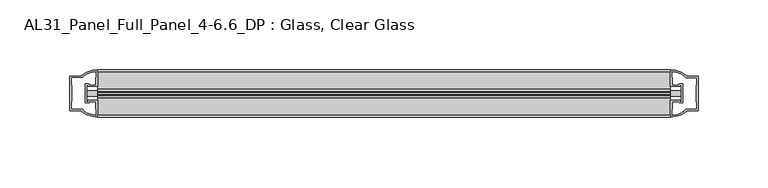
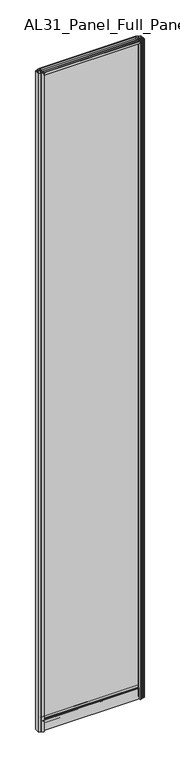
"""IFC4 building model written with IfcOpenShell, lengths in millimetres: plate geometry, AL31_Panel_Full_Panel_4-6.6_DP : Glass, Clear Glass."""

from ifc_helpers import new_model, si_unit, point, frame, frame_2d, origin, origin_with_axes, place, context, project, spatial, polyline, circle_curve, trimmed, segment, composite_curve, outline, extrude, source, transform, mapped, element, save


def al31_panel_full_panel_4_6_6_dp_glass_clear_glass_c05adbf8(model_context):
    return source(origin(), model_context, "Body", "SweptSolid", [
        extrude(outline(composite_curve([segment(trimmed(circle_curve(frame_2d((-19.957, 2961.8572926)), 3.0), [point((-18.457, 2964.4553688))], [point((-17.4851586, 2960.1572926))], False, "CARTESIAN"), True, "CONTINUOUS"), segment(polyline([(-17.4851586, 2960.1572926), (-4.157, 2960.1572926), (-4.157, 2969.5572926), (-2.857, 2969.5572926), (-2.857, 2959.0572926), (-13.1545312, 2959.0572926), (-13.1545312, 2958.2572926), (-13.6601218, 2956.3357964), (-13.6601218, 2951.6572926), (-14.857, 2951.6572926), (-14.857, 2956.9912672), (-14.357, 2957.8572926), (-14.357, 2959.0572926), (-25.357, 2959.0572926), (-25.357, 2957.8572926), (-24.857, 2956.9912672), (-24.857, 2951.6572926), (-26.0538782, 2951.6572926), (-26.0538782, 2956.3357964), (-26.5594688, 2958.2572926), (-26.5594688, 2959.0572926), (-36.857, 2959.0572926), (-36.857, 2969.5572926), (-35.557, 2969.5572926), (-35.557, 2960.1572926), (-22.4288414, 2960.1572926)]), True, "CONTINUOUS"), segment(trimmed(circle_curve(frame_2d((-19.957, 2961.8572926)), 3.0), [point((-22.4288414, 2960.1572926))], [point((-21.457, 2964.4553688))], False, "CARTESIAN"), True, "CONTINUOUS"), segment(polyline([(-21.457, 2964.4553688), (-20.907, 2963.5027409)]), True, "CONTINUOUS"), segment(trimmed(circle_curve(frame_2d((-19.957, 2961.8572926)), 1.9), [point((-20.907, 2963.5027409))], [point((-19.007, 2963.5027409))], True, "CARTESIAN"), True, "CONTINUOUS"), segment(polyline([(-19.007, 2963.5027409), (-18.457, 2964.4553688)]), True, "CONTINUOUS")], self_intersect=False)), frame((-205.3875983, 0.0, 0.0), z_axis=(1.0, 0.0, 0.0), x_axis=(0.0, 1.0, 0.0)), (0.0, 0.0, 1.0), 410.7751966),
        extrude(outline(composite_curve([segment(polyline([(-11.457, 35.8), (-28.257, 35.8)]), True, "CONTINUOUS"), segment(trimmed(circle_curve(frame_2d((-28.257, 34.8)), 1.0), [point((-28.257, 35.8))], [point((-29.257, 34.8))], True, "CARTESIAN"), True, "CONTINUOUS"), segment(polyline([(-29.257, 34.8), (-29.257, 33.5), (-24.8569697, 33.5), (-24.8569697, 32.3), (-29.257, 32.3), (-29.257, 0.0), (-30.457, 0.0), (-30.457, 47.3)]), True, "CONTINUOUS"), segment(trimmed(circle_curve(frame_2d((-28.457, 47.3)), 2.0), [point((-30.457, 47.3))], [point((-28.457, 49.3))], False, "CARTESIAN"), True, "CONTINUOUS"), segment(polyline([(-28.457, 49.3), (-24.857, 49.3), (-24.857, 41.9), (-14.857, 41.9), (-14.857, 49.3), (-11.257, 49.3)]), True, "CONTINUOUS"), segment(trimmed(circle_curve(frame_2d((-11.257, 47.3)), 2.0), [point((-11.257, 49.3))], [point((-9.257, 47.3))], False, "CARTESIAN"), True, "CONTINUOUS"), segment(polyline([(-9.257, 47.3), (-9.257, 0.0), (-10.457, 0.0), (-10.457, 32.3), (-14.8569697, 32.3), (-14.8569697, 33.5), (-10.457, 33.5), (-10.457, 34.8)]), True, "CONTINUOUS"), segment(trimmed(circle_curve(frame_2d((-11.457, 34.8)), 1.0), [point((-10.457, 34.8))], [point((-11.457, 35.8))], True, "CARTESIAN"), True, "CONTINUOUS")], self_intersect=False), holes=[composite_curve([segment(polyline([(-26.3594688, 41.8), (-26.3594688, 42.9)]), True, "CONTINUOUS"), segment(trimmed(circle_curve(frame_2d((-25.1594688, 42.9)), 1.2), [point((-26.3594688, 42.9))], [point((-25.9768184, 43.7786009))], False, "CARTESIAN"), True, "CONTINUOUS"), segment(polyline([(-25.9768184, 43.7786009), (-25.9768184, 48.2), (-28.257, 48.2)]), True, "CONTINUOUS"), segment(trimmed(circle_curve(frame_2d((-28.257, 47.2)), 1.0), [point((-28.257, 48.2))], [point((-29.257, 47.2))], True, "CARTESIAN"), True, "CONTINUOUS"), segment(polyline([(-29.257, 47.2), (-29.257, 37.04), (-22.6578965, 37.04), (-22.6578965, 38.0725806), (-21.6940508, 38.0725806)]), True, "CONTINUOUS"), segment(trimmed(circle_curve(frame_2d((-19.857, 39.1)), 2.1048387), [point((-21.6940508, 38.0725806))], [point((-18.0199492, 38.0725806))], True, "CARTESIAN"), True, "CONTINUOUS"), segment(polyline([(-18.0199492, 38.0725806), (-17.0561035, 38.0725806), (-17.0561035, 37.04), (-10.457, 37.04), (-10.457, 47.2)]), True, "CONTINUOUS"), segment(trimmed(circle_curve(frame_2d((-11.457, 47.2)), 1.0), [point((-10.457, 47.2))], [point((-11.457, 48.2))], True, "CARTESIAN"), True, "CONTINUOUS"), segment(polyline([(-11.457, 48.2), (-13.7371816, 48.2), (-13.7371816, 43.5786009)]), True, "CONTINUOUS"), segment(trimmed(circle_curve(frame_2d((-14.5545312, 42.7)), 1.2), [point((-13.7371816, 43.5786009))], [point((-13.3545312, 42.7))], False, "CARTESIAN"), True, "CONTINUOUS"), segment(polyline([(-13.3545312, 42.7), (-13.3545312, 41.8)]), True, "CONTINUOUS"), segment(trimmed(circle_curve(frame_2d((-14.3545312, 41.8)), 1.0), [point((-13.3545312, 41.8))], [point((-14.3545312, 40.8))], False, "CARTESIAN"), True, "CONTINUOUS"), segment(polyline([(-14.3545312, 40.8), (-17.0561035, 40.8), (-17.0561035, 39.7274194), (-18.0199492, 39.7274194)]), True, "CONTINUOUS"), segment(trimmed(circle_curve(frame_2d((-19.857, 38.7)), 2.1048387), [point((-18.0199492, 39.7274194))], [point((-21.6940508, 39.7274194))], True, "CARTESIAN"), True, "CONTINUOUS"), segment(polyline([(-21.6940508, 39.7274194), (-22.6578965, 39.7274194), (-22.6578965, 40.8), (-25.3594688, 40.8)]), True, "CONTINUOUS"), segment(trimmed(circle_curve(frame_2d((-25.3594688, 41.8)), 1.0), [point((-25.3594688, 40.8))], [point((-26.3594688, 41.8))], False, "CARTESIAN"), True, "CONTINUOUS")], self_intersect=False)]), frame((-205.3875983, 0.0, 0.0), z_axis=(1.0, 0.0, 0.0), x_axis=(0.0, 1.0, 0.0)), (0.0, 0.0, 1.0), 410.7751966),
        extrude(outline(composite_curve([segment(polyline([(-213.2290197, -25.757), (-212.0290197, -25.757), (-212.0290197, -24.857), (-205.3875983, -24.857), (-205.3875983, -36.8571453)]), True, "CONTINUOUS"), segment(trimmed(circle_curve(frame_2d((-205.0229467, -16.8604698)), 20.0), [point((-205.3875983, -36.8571453))], [point((-216.7434335, -33.0663388))], False, "CARTESIAN"), True, "CONTINUOUS"), segment(polyline([(-216.7434335, -33.0663388), (-216.7434335, -32.1849343), (-225.3875983, -32.1849343), (-225.3875983, -7.4849343), (-216.7434335, -7.4849343), (-216.7434335, -6.6474751)]), True, "CONTINUOUS"), segment(trimmed(circle_curve(frame_2d((-205.0229467, -22.8533441)), 20.0), [point((-216.7434335, -6.6474751))], [point((-205.3875983, -2.8566686))], False, "CARTESIAN"), True, "CONTINUOUS"), segment(polyline([(-205.3875983, -2.8566686), (-205.3875983, -14.857), (-212.0290197, -14.857), (-212.0290197, -13.957), (-213.2290197, -13.957), (-213.2290197, -25.757)]), True, "CONTINUOUS")], self_intersect=False), holes=[composite_curve([segment(trimmed(circle_curve(frame_2d((-212.2290197, -14.157)), 1.5), [point((-212.2290197, -12.657))], [point((-210.8737654, -13.5141269))], False, "CARTESIAN"), True, "CONTINUOUS"), segment(polyline([(-210.8737654, -13.5141269), (-207.1290197, -13.5141269), (-207.1290197, -8.917777), (-206.6896798, -7.8571168), (-206.6896798, -4.2070183)]), True, "CONTINUOUS"), segment(trimmed(circle_curve(frame_2d((-205.0229467, -22.8325921)), 18.7), [point((-206.6896798, -4.2070183))], [point((-215.0297245, -7.0353013))], True, "CARTESIAN"), True, "CONTINUOUS"), segment(trimmed(circle_curve(frame_2d((-216.8290197, -6.9849343)), 1.8), [point((-215.0297245, -7.0353013))], [point((-216.8290197, -8.7849343))], False, "CARTESIAN"), True, "CONTINUOUS"), segment(polyline([(-216.8290197, -8.7849343), (-223.970441, -8.7849343), (-223.970441, -13.3550394), (-223.5290197, -14.417777), (-223.5290197, -25.2520916), (-224.0290197, -26.2449987), (-224.0290197, -30.8849343), (-216.8290197, -30.8849343)]), True, "CONTINUOUS"), segment(trimmed(circle_curve(frame_2d((-216.8290197, -32.6849343)), 1.8), [point((-216.8290197, -30.8849343))], [point((-215.0297245, -32.6345673))], False, "CARTESIAN"), True, "CONTINUOUS"), segment(trimmed(circle_curve(frame_2d((-205.0229467, -16.8372765)), 18.7), [point((-215.0297245, -32.6345673))], [point((-206.6896798, -35.4628503))], True, "CARTESIAN"), True, "CONTINUOUS"), segment(polyline([(-206.6896798, -35.4628503), (-206.6896798, -31.8127518), (-207.1290197, -30.7520916), (-207.1290197, -26.1561308), (-210.853868, -26.1561308)]), True, "CONTINUOUS"), segment(trimmed(circle_curve(frame_2d((-212.2290197, -25.557)), 1.5), [point((-210.853868, -26.1561308))], [point((-212.2290197, -27.057))], False, "CARTESIAN"), True, "CONTINUOUS"), segment(polyline([(-212.2290197, -27.057), (-214.5290197, -27.057), (-214.5290197, -12.657), (-212.2290197, -12.657)]), True, "CONTINUOUS")], self_intersect=False)]), origin_with_axes(), (0.0, 0.0, 1.0), 2969.5572926),
        extrude(outline(composite_curve([segment(polyline([(213.2290197, -13.957), (212.0290197, -13.957), (212.0290197, -14.857), (205.3875983, -14.857), (205.3875983, -2.8568547)]), True, "CONTINUOUS"), segment(trimmed(circle_curve(frame_2d((205.0229467, -22.8535302)), 20.0), [point((205.3875983, -2.8568547))], [point((216.7434335, -6.6476612))], False, "CARTESIAN"), True, "CONTINUOUS"), segment(polyline([(216.7434335, -6.6476612), (216.7434335, -7.5290657), (225.3875983, -7.5290657), (225.3875983, -32.2290657), (216.7434335, -32.2290657), (216.7434335, -33.0665249)]), True, "CONTINUOUS"), segment(trimmed(circle_curve(frame_2d((205.0229467, -16.8606559)), 20.0), [point((216.7434335, -33.0665249))], [point((205.3875983, -36.8573314))], False, "CARTESIAN"), True, "CONTINUOUS"), segment(polyline([(205.3875983, -36.8573314), (205.3875983, -24.857), (212.0290197, -24.857), (212.0290197, -25.757), (213.2290197, -25.757), (213.2290197, -13.957)]), True, "CONTINUOUS")], self_intersect=False), holes=[composite_curve([segment(trimmed(circle_curve(frame_2d((212.2290197, -25.557)), 1.5), [point((212.2290197, -27.057))], [point((210.8737654, -26.1998731))], False, "CARTESIAN"), True, "CONTINUOUS"), segment(polyline([(210.8737654, -26.1998731), (207.1290197, -26.1998731), (207.1290197, -30.796223), (206.6896798, -31.8568832), (206.6896798, -35.5069817)]), True, "CONTINUOUS"), segment(trimmed(circle_curve(frame_2d((205.0229467, -16.8814079)), 18.7), [point((206.6896798, -35.5069817))], [point((215.0297245, -32.6786987))], True, "CARTESIAN"), True, "CONTINUOUS"), segment(trimmed(circle_curve(frame_2d((216.8290197, -32.7290657)), 1.8), [point((215.0297245, -32.6786987))], [point((216.8290197, -30.9290657))], False, "CARTESIAN"), True, "CONTINUOUS"), segment(polyline([(216.8290197, -30.9290657), (223.970441, -30.9290657), (223.970441, -26.3589606), (223.5290197, -25.296223), (223.5290197, -14.4619084), (224.0290197, -13.4690013), (224.0290197, -8.8290657), (216.8290197, -8.8290657)]), True, "CONTINUOUS"), segment(trimmed(circle_curve(frame_2d((216.8290197, -7.0290657)), 1.8), [point((216.8290197, -8.8290657))], [point((215.0297245, -7.0794327))], False, "CARTESIAN"), True, "CONTINUOUS"), segment(trimmed(circle_curve(frame_2d((205.0229467, -22.8767235)), 18.7), [point((215.0297245, -7.0794327))], [point((206.6896798, -4.2511497))], True, "CARTESIAN"), True, "CONTINUOUS"), segment(polyline([(206.6896798, -4.2511497), (206.6896798, -7.9012482), (207.1290197, -8.9619084), (207.1290197, -13.5578692), (210.853868, -13.5578692)]), True, "CONTINUOUS"), segment(trimmed(circle_curve(frame_2d((212.2290197, -14.157)), 1.5), [point((210.853868, -13.5578692))], [point((212.2290197, -12.657))], False, "CARTESIAN"), True, "CONTINUOUS"), segment(polyline([(212.2290197, -12.657), (214.5290197, -12.657), (214.5290197, -27.057), (212.2290197, -27.057)]), True, "CONTINUOUS")], self_intersect=False)]), origin_with_axes(), (0.0, 0.0, 1.0), 2969.5572926),
        extrude(outline(polyline([(213.2290197, -17.857), (213.2290197, -21.857), (-213.2290197, -21.857), (-213.2290197, -17.857), (213.2290197, -17.857)])), frame((0.0, 0.0, 41.9), z_axis=(0.0, 0.0, 1.0), x_axis=(1.0, 0.0, 0.0)), (0.0, 0.0, 1.0), 2917.1572926),
    ])


if __name__ == "__main__":
    model = new_model("IFC4")
    model_context = context("Model", 3, world=origin())
    ifc_project = project(units=[si_unit("LENGTHUNIT", "METRE", prefix="MILLI")], contexts=[model_context])
    site = spatial("IfcSite", under=ifc_project)
    building = spatial("IfcBuilding", under=site)
    placement = place(None, origin())
    al31_panel_full_panel_4_6_6_dp_glass_clear_glass_shape = al31_panel_full_panel_4_6_6_dp_glass_clear_glass_c05adbf8(model_context)
    element("IfcPlate", 1, ObjectType="AL31_Panel_Full_Panel_4-6.6_DP : Glass, Clear Glass", at=placement, inside=building, context=model_context, shape_type="MappedRepresentation", body=[
        mapped(al31_panel_full_panel_4_6_6_dp_glass_clear_glass_shape, transform((0.0, 0.0, 0.0), x_axis=(1.0, 0.0, 0.0), y_axis=(0.0, 1.0, 0.0), z_axis=(0.0, 0.0, 1.0))),
    ])
    save(model, "model.ifc")
